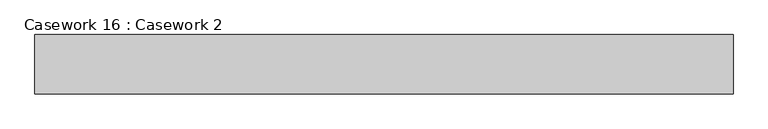
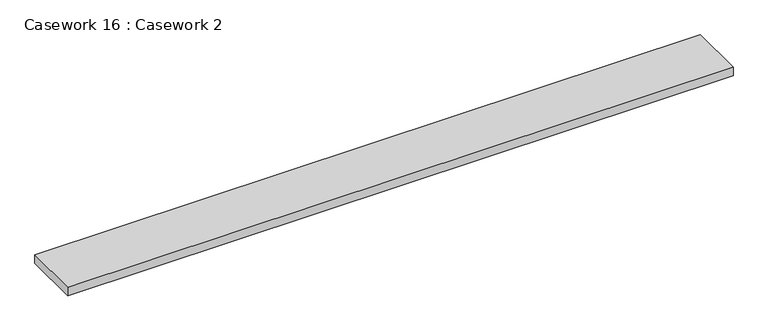
"""IFC4 building model written with IfcOpenShell, lengths in millimetres: furniture geometry, Casework 16 : Casework 2."""

from ifc_helpers import new_model, si_unit, frame, origin, place, context, project, spatial, polyline, outline, extrude, source, transform, mapped, element, save


def casework_16_casework_2_c9123ef7(model_context):
    return source(origin(), model_context, "Body", "SweptSolid", [
        extrude(outline(polyline([(-141963.306931, 19537.365723), (-141963.306931, 19211.4361016), (-145786.2044078, 19211.4361016), (-145786.2044078, 19537.365723), (-141963.306931, 19537.365723)])), frame((0.0, 0.0, 995.2155416), z_axis=(0.0, 0.0, 1.0), x_axis=(1.0, 0.0, 0.0)), (0.0, 0.0, 1.0), 51.1844584),
    ])


if __name__ == "__main__":
    model = new_model("IFC4")
    model_context = context("Model", 3, world=origin())
    ifc_project = project(units=[si_unit("LENGTHUNIT", "METRE", prefix="MILLI")], contexts=[model_context])
    site = spatial("IfcSite", under=ifc_project)
    building = spatial("IfcBuilding", under=site)
    placement = place(None, origin())
    casework_16_casework_2_shape = casework_16_casework_2_c9123ef7(model_context)
    element("IfcFurniture", 1, ObjectType="Casework 16 : Casework 2", at=placement, inside=building, context=model_context, shape_type="MappedRepresentation", body=[
        mapped(casework_16_casework_2_shape, transform((0.0, 0.0, 0.0), x_axis=(1.0, 0.0, 0.0), y_axis=(0.0, 1.0, 0.0), z_axis=(0.0, 0.0, 1.0))),
    ])
    save(model, "model.ifc")
